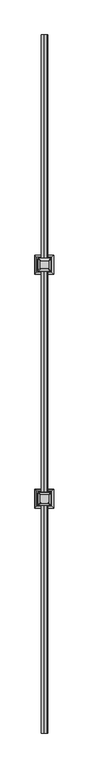
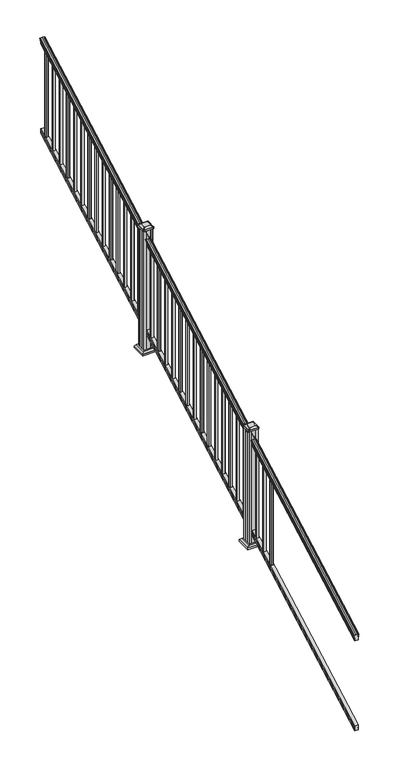
"""IFC4 building model written with IfcOpenShell, lengths in millimetres: railing geometry."""

from ifc_helpers import new_model, si_unit, point, frame, frame_2d, origin, place, context, project, spatial, polyline, circle_curve, ellipse_curve, trimmed, segment, composite_curve, outline, extrude, faceted_brep, source, transform, mapped, element, save
from ifc_brep_helpers import plane_surface, cylinder_surface, revolved_surface, extruded_surface, advanced_brep


def railing_9be0e3d2(model_context):
    return source(origin(), model_context, "Body", "SolidModel", [
        advanced_brep(
        [(6243.4270946, 1778.9805319, 1111.1933), (6243.4270946, 1778.9805319, 1113.3531886), (6244.5572809, 1778.9805319, 1115.140347), (6244.5572809, 1778.9805319, 1123.3974153), (6243.9080245, 1778.9805319, 1126.1811654), (6246.4080245, 1778.9805319, 1131.1346527), (6247.817367, 1778.9805319, 1133.0560334), (6248.219266, 1778.9805319, 1134.3198045), (6248.2192659, 1778.9805319, 1135.8530343), (6246.6658186, 1778.9805319, 1137.6301141), (6225.9942659, 1778.9805319, 1137.6301141), (6205.3227131, 1778.9805319, 1137.6301141), (6203.7692659, 1778.9805319, 1135.8530343), (6203.7692659, 1778.9805319, 1134.3198045), (6204.1711648, 1778.9805319, 1133.0560334), (6205.5805072, 1778.9805319, 1131.1346527), (6208.0805072, 1778.9805319, 1126.1811654), (6207.4312508, 1778.9805319, 1123.3974153), (6207.4312508, 1778.9805319, 1115.140347), (6208.5614371, 1778.9805319, 1113.3531886), (6208.5614371, 1778.9805319, 1111.1933), (6211.1352659, 1778.9805319, 1111.1933), (6211.1352659, 1778.9805319, 1099.182302), (6210.1192659, 1778.9805319, 1098.0200397), (6210.1192659, 1778.9805319, 1083.7333333), (6241.8692659, 1778.9805319, 1083.7333333), (6241.8692659, 1778.9805319, 1097.8395054), (6240.8532659, 1778.9805319, 1099.0017677), (6240.8532659, 1778.9805319, 1111.1933), (6243.4270946, 6655.7805319, 3820.5266334), (6240.8532659, 6655.7805319, 3820.5266334), (6240.8532659, 6655.7805319, 3808.335101), (6241.8692659, 6655.7805319, 3807.1728388), (6241.8692659, 6655.7805319, 3793.0666667), (6210.1192659, 6655.7805319, 3793.0666667), (6210.1192659, 6655.7805319, 3807.3533731), (6211.1352659, 6655.7805319, 3808.5156353), (6211.1352659, 6655.7805319, 3820.5266334), (6208.5614371, 6655.7805319, 3820.5266334), (6208.5614371, 6655.7805319, 3822.6865219), (6207.4312508, 6655.7805319, 3824.4736803), (6207.4312508, 6655.7805319, 3832.7307486), (6208.0805072, 6655.7805319, 3835.5144987), (6205.5805072, 6655.7805319, 3840.4679861), (6204.1711648, 6655.7805319, 3842.3893668), (6203.7692658, 6655.7805319, 3843.6531378), (6203.7692659, 6655.7805319, 3845.1863676), (6205.3227131, 6655.7805319, 3846.9634474), (6225.9942659, 6655.7805319, 3846.9634474), (6246.6658186, 6655.7805319, 3846.9634474), (6248.2192659, 6655.7805319, 3845.1863676), (6248.2192659, 6655.7805319, 3843.6531378), (6247.817367, 6655.7805319, 3842.3893668), (6246.4080245, 6655.7805319, 3840.4679861), (6243.9080245, 6655.7805319, 3835.5144987), (6244.5572809, 6655.7805319, 3832.7307486), (6244.5572809, 6655.7805319, 3824.4736803), (6243.4270946, 6655.7805319, 3822.6865219)],
        [
            (0, 1),
            (1, 2, ellipse_curve(frame((6237.1123413, 1778.9805319, 1119.9403628), z_axis=(0.0, -1.0, 0.0), x_axis=(0.0, 0.0, -1.0)), 9.7762168, 8.545951)),
            (2, 3, ellipse_curve(frame((6237.5494043, 1778.9805319, 1119.2688811), z_axis=(0.0, -1.0, 0.0), x_axis=(0.0, 0.0, -1.0)), 9.0173521, 7.882584)),
            (3, 4, ellipse_curve(frame((6248.0627284, 1778.9805319, 1125.9582895), z_axis=(0.0, 1.0, 0.0), x_axis=(0.0, 0.0, 1.0)), 4.7580334, 4.1592695)),
            (4, 5, ellipse_curve(frame((6249.350035, 1778.9805319, 1125.8892329), z_axis=(0.0, 1.0, 0.0), x_axis=(0.0, 0.0, 1.0)), 6.2322774, 5.4479907)),
            (5, 6, ellipse_curve(frame((6248.1168765, 1778.9805319, 1131.1314345), z_axis=(0.0, 1.0, 0.0), x_axis=(0.0, 0.0, 1.0)), 1.9548591, 1.7088543)),
            (6, 7, ellipse_curve(frame((6246.4999764, 1778.9805319, 1134.3198045), z_axis=(0.0, -1.0, 0.0), x_axis=(0.0, 0.0, -1.0)), 1.9667965, 1.7192895)),
            (7, 8),
            (8, 9, ellipse_curve(frame((6246.6658186, 1778.9805319, 1135.8530343), z_axis=(0.0, -1.0, 0.0), x_axis=(0.0, 0.0, -1.0)), 1.7770798, 1.5534472)),
            (9, 10),
            (10, 11),
            (11, 12, ellipse_curve(frame((6205.3227131, 1778.9805319, 1135.8530343), z_axis=(0.0, -1.0, 0.0), x_axis=(0.0, 0.0, -1.0)), 1.7770798, 1.5534472)),
            (12, 13),
            (13, 14, ellipse_curve(frame((6205.4885553, 1778.9805319, 1134.3198045), z_axis=(0.0, -1.0, 0.0), x_axis=(0.0, 0.0, -1.0)), 1.9667965, 1.7192895)),
            (14, 15, ellipse_curve(frame((6203.8716552, 1778.9805319, 1131.1314345), z_axis=(0.0, 1.0, 0.0), x_axis=(0.0, 0.0, 1.0)), 1.9548591, 1.7088543)),
            (15, 16, ellipse_curve(frame((6202.6384968, 1778.9805319, 1125.8892329), z_axis=(0.0, 1.0, 0.0), x_axis=(0.0, 0.0, 1.0)), 6.2322774, 5.4479907)),
            (16, 17, ellipse_curve(frame((6203.9258033, 1778.9805319, 1125.9582895), z_axis=(0.0, 1.0, 0.0), x_axis=(0.0, 0.0, 1.0)), 4.7580334, 4.1592695)),
            (17, 18, ellipse_curve(frame((6214.4391275, 1778.9805319, 1119.2688811), z_axis=(0.0, -1.0, 0.0), x_axis=(0.0, 0.0, -1.0)), 9.0173521, 7.882584)),
            (18, 19, ellipse_curve(frame((6214.8761904, 1778.9805319, 1119.9403628), z_axis=(0.0, -1.0, 0.0), x_axis=(0.0, 0.0, -1.0)), 9.7762168, 8.545951)),
            (19, 20),
            (20, 21, ellipse_curve(frame((6209.8483515, 1778.9805319, 1111.1933), z_axis=(0.0, -1.0, 0.0), x_axis=(0.0, 0.0, -1.0)), 1.4721772, 1.2869144)),
            (21, 22),
            (22, 23),
            (23, 24),
            (24, 25),
            (25, 26),
            (26, 27),
            (27, 28),
            (28, 0, ellipse_curve(frame((6242.1401802, 1778.9805319, 1111.1933), z_axis=(0.0, -1.0, 0.0), x_axis=(0.0, 0.0, -1.0)), 1.4721772, 1.2869144)),
            (29, 30, ellipse_curve(frame((6242.1401802, 6655.7805319, 3820.5266334), z_axis=(0.0, 1.0, 0.0), x_axis=(0.0, 0.0, -1.0)), 1.4721772, 1.2869144)),
            (30, 31),
            (31, 32),
            (32, 33),
            (33, 34),
            (34, 35),
            (35, 36),
            (36, 37),
            (37, 38, ellipse_curve(frame((6209.8483515, 6655.7805319, 3820.5266334), z_axis=(0.0, 1.0, 0.0), x_axis=(0.0, 0.0, -1.0)), 1.4721772, 1.2869144)),
            (38, 39),
            (39, 40, ellipse_curve(frame((6214.8761904, 6655.7805319, 3829.2736961), z_axis=(0.0, 1.0, 0.0), x_axis=(0.0, 0.0, -1.0)), 9.7762168, 8.545951)),
            (40, 41, ellipse_curve(frame((6214.4391275, 6655.7805319, 3828.6022145), z_axis=(0.0, 1.0, 0.0), x_axis=(0.0, 0.0, -1.0)), 9.0173521, 7.882584)),
            (41, 42, ellipse_curve(frame((6203.9258033, 6655.7805319, 3835.2916228), z_axis=(0.0, -1.0, 0.0), x_axis=(0.0, 0.0, 1.0)), 4.7580334, 4.1592695)),
            (42, 43, ellipse_curve(frame((6202.6384968, 6655.7805319, 3835.2225663), z_axis=(0.0, -1.0, 0.0), x_axis=(0.0, 0.0, 1.0)), 6.2322774, 5.4479907)),
            (43, 44, ellipse_curve(frame((6203.8716552, 6655.7805319, 3840.4647678), z_axis=(0.0, -1.0, 0.0), x_axis=(0.0, 0.0, 1.0)), 1.9548591, 1.7088543)),
            (44, 45, ellipse_curve(frame((6205.4885553, 6655.7805319, 3843.6531378), z_axis=(0.0, 1.0, 0.0), x_axis=(0.0, 0.0, -1.0)), 1.9667965, 1.7192895)),
            (45, 46),
            (46, 47, ellipse_curve(frame((6205.3227131, 6655.7805319, 3845.1863676), z_axis=(0.0, 1.0, 0.0), x_axis=(0.0, 0.0, -1.0)), 1.7770798, 1.5534472)),
            (47, 48),
            (48, 49),
            (49, 50, ellipse_curve(frame((6246.6658186, 6655.7805319, 3845.1863676), z_axis=(0.0, 1.0, 0.0), x_axis=(0.0, 0.0, -1.0)), 1.7770798, 1.5534472)),
            (50, 51),
            (51, 52, ellipse_curve(frame((6246.4999764, 6655.7805319, 3843.6531378), z_axis=(0.0, 1.0, 0.0), x_axis=(0.0, 0.0, -1.0)), 1.9667965, 1.7192895)),
            (52, 53, ellipse_curve(frame((6248.1168765, 6655.7805319, 3840.4647678), z_axis=(0.0, -1.0, 0.0), x_axis=(0.0, 0.0, 1.0)), 1.9548591, 1.7088543)),
            (53, 54, ellipse_curve(frame((6249.350035, 6655.7805319, 3835.2225663), z_axis=(0.0, -1.0, 0.0), x_axis=(0.0, 0.0, 1.0)), 6.2322774, 5.4479907)),
            (54, 55, ellipse_curve(frame((6248.0627284, 6655.7805319, 3835.2916228), z_axis=(0.0, -1.0, 0.0), x_axis=(0.0, 0.0, 1.0)), 4.7580334, 4.1592695)),
            (55, 56, ellipse_curve(frame((6237.5494043, 6655.7805319, 3828.6022145), z_axis=(0.0, 1.0, 0.0), x_axis=(0.0, 0.0, -1.0)), 9.0173521, 7.882584)),
            (56, 57, ellipse_curve(frame((6237.1123413, 6655.7805319, 3829.2736961), z_axis=(0.0, 1.0, 0.0), x_axis=(0.0, 0.0, -1.0)), 9.7762168, 8.545951)),
            (57, 29),
            (0, 29),
            (57, 1),
            (56, 2),
            (55, 3),
            (54, 4),
            (53, 5),
            (52, 6),
            (51, 7),
            (50, 8),
            (49, 9),
            (48, 10),
            (47, 11),
            (46, 12),
            (45, 13),
            (44, 14),
            (43, 15),
            (42, 16),
            (41, 17),
            (40, 18),
            (39, 19),
            (38, 20),
            (37, 21),
            (36, 22),
            (35, 23),
            (34, 24),
            (33, 25),
            (32, 26),
            (31, 27),
            (30, 28),
        ],
        [
            plane_surface(frame((6225.9942659, 1778.9805319, 1083.7333333), z_axis=(0.0, -1.0, 0.0), x_axis=(0.0, 0.0, 1.0))),
            plane_surface(frame((6225.9942659, 6655.7805319, 3793.0666667), z_axis=(0.0, 1.0, 0.0), x_axis=(0.0, 0.0, 1.0))),
            plane_surface(frame((6243.4270946, 1778.9805319, 1111.1933), z_axis=(1.0, 0.0, 0.0), x_axis=(0.0, 0.8741572761215701, 0.48564293117857393))),
            cylinder_surface(frame((6237.1123413, 1763.6096232, 1111.4009691), z_axis=(0.0, -0.8741572761215701, -0.485642931178574), x_axis=(-1.0, 0.0, 0.0)), 8.545951),
            cylinder_surface(frame((6237.5494043, 1763.8946861, 1110.8878557), z_axis=(0.0, -0.8741572761215701, -0.485642931178574), x_axis=(-1.0, 0.0, 0.0)), 7.882584),
            revolved_surface(polyline([(6243.9034589, 6657.8004517445215, 3836.4138004798638), (6243.9034589, 1776.9606120792462, 1124.8361117773575)]), (6248.0627284, 1761.054843, 1115.9995734), (0.0, 0.8741572761215701, 0.485642931178574)),
            revolved_surface(polyline([(6243.9020443, 6658.426310041691, 3836.6924430449576), (6243.9020443, 1776.3347537301895, 1124.4193562056596)]), (6249.350035, 1761.0841594, 1115.9468038), (0.0, 0.8741572761215701, 0.485642931178574)),
            revolved_surface(polyline([(6246.4080222, 6656.610424923767, 3840.925819457222), (6246.4080222, 1778.1506389094347, 1130.6703827830177)]), (6248.1168765, 1758.8586965, 1119.952637), (0.0, 0.8741572761215701, 0.485642931178574)),
            cylinder_surface(frame((6246.4999764, 1757.5051432, 1122.389033), z_axis=(0.0, -0.8741572761215701, -0.485642931178574), x_axis=(-1.0, 0.0, 0.0)), 1.7192895),
            plane_surface(frame((6248.2192659, 1778.9805319, 1134.3198045), z_axis=(1.0, 0.0, 0.0), x_axis=(0.0, 0.8741572761215701, 0.48564293117857393))),
            cylinder_surface(frame((6246.6658186, 1756.8542438, 1123.560652), z_axis=(0.0, -0.8741572761215701, -0.485642931178574), x_axis=(-1.0, 0.0, 0.0)), 1.5534472),
            plane_surface(frame((6246.6658186, 1778.9805319, 1137.6301141), z_axis=(0.0, -0.48564293117857404, 0.8741572761215701), x_axis=(0.0, 0.8741572761215701, 0.48564293117857404))),
            plane_surface(frame((6225.9942659, 1778.9805319, 1137.6301141), z_axis=(0.0, -0.48564293117857404, 0.8741572761215701), x_axis=(0.0, 0.8741572761215701, 0.48564293117857404))),
            cylinder_surface(frame((6205.3227131, 1756.8542438, 1123.560652), z_axis=(0.0, -0.8741572761215701, -0.485642931178574), x_axis=(1.0, 0.0, 0.0)), 1.5534472),
            plane_surface(frame((6203.7692659, 1778.9805319, 1135.8530343), z_axis=(-1.0000000000000002, 0.0, 0.0), x_axis=(0.0, 0.8741572761215701, 0.485642931178574))),
            cylinder_surface(frame((6205.4885553, 1757.5051432, 1122.389033), z_axis=(0.0, -0.8741572761215701, -0.485642931178574), x_axis=(1.0, 0.0, 0.0)), 1.7192895),
            revolved_surface(polyline([(6205.5805095, 6656.610424923767, 3840.925819457222), (6205.5805095, 1778.1506389094347, 1130.6703827830177)]), (6203.8716552, 1758.8586965, 1119.952637), (0.0, 0.8741572761215701, 0.485642931178574)),
            revolved_surface(polyline([(6208.086487500001, 6658.426310041691, 3836.6924430449576), (6208.086487500001, 1776.3347537301895, 1124.4193562056596)]), (6202.6384968, 1761.0841594, 1115.9468038), (0.0, 0.8741572761215701, 0.485642931178574)),
            revolved_surface(polyline([(6208.0850728, 6657.8004517445215, 3836.4138004798638), (6208.0850728, 1776.9606120792462, 1124.8361117773575)]), (6203.9258033, 1761.054843, 1115.9995734), (0.0, 0.8741572761215701, 0.485642931178574)),
            cylinder_surface(frame((6214.4391275, 1763.8946861, 1110.8878557), z_axis=(0.0, -0.8741572761215701, -0.485642931178574), x_axis=(1.0, 0.0, 0.0)), 7.882584),
            cylinder_surface(frame((6214.8761904, 1763.6096232, 1111.4009691), z_axis=(0.0, -0.8741572761215701, -0.485642931178574), x_axis=(1.0, 0.0, 0.0)), 8.545951),
            plane_surface(frame((6208.5614371, 1778.9805319, 1113.3531886), z_axis=(-1.0000000000000002, 0.0, 0.0), x_axis=(0.0, 0.8741572761215701, 0.48564293117857404))),
            cylinder_surface(frame((6209.8483515, 1767.3229989, 1104.7168928), z_axis=(0.0, -0.8741572761215701, -0.485642931178574), x_axis=(1.0, 0.0, 0.0)), 1.2869144),
            plane_surface(frame((6211.1352659, 1778.9805319, 1111.1933), z_axis=(-1.0, 0.0, 0.0), x_axis=(0.0, 0.8741572761215701, 0.48564293117857393))),
            plane_surface(frame((6211.1352659, 1778.9805319, 1099.182302), z_axis=(-0.707106781186544, -0.34340140987168244, 0.6181225377691273), x_axis=(0.0, 0.8741572761215701, 0.48564293117857393))),
            plane_surface(frame((6210.1192659, 1778.9805319, 1098.0200397), z_axis=(-1.0, 0.0, 0.0), x_axis=(0.0, 0.8741572761215701, 0.48564293117857393))),
            plane_surface(frame((6210.1192659, 1778.9805319, 1083.7333333), z_axis=(0.0, 0.48564293117857393, -0.8741572761215701), x_axis=(0.0, 0.8741572761215701, 0.48564293117857393))),
            plane_surface(frame((6241.8692659, 1778.9805319, 1083.7333333), z_axis=(1.0000000000000002, 0.0, 0.0), x_axis=(0.0, 0.8741572761215701, 0.485642931178574))),
            plane_surface(frame((6241.8692659, 1778.9805319, 1097.8395054), z_axis=(0.707106781186539, -0.34340140987168644, 0.6181225377691305), x_axis=(0.0, 0.8741572761215701, 0.48564293117857393))),
            plane_surface(frame((6240.8532659, 1778.9805319, 1099.0017677), z_axis=(1.0000000000000002, 0.0, 0.0), x_axis=(0.0, 0.8741572761215701, 0.485642931178574))),
            cylinder_surface(frame((6242.1401802, 1767.3229989, 1104.7168928), z_axis=(0.0, -0.8741572761215701, -0.485642931178574), x_axis=(-1.0, 0.0, 0.0)), 1.2869144),
        ],
        [
            (0, [[1, 2, 3, 4, 5, 6, 7, 8, 9, 10, 11, 12, 13, 14, 15, 16, 17, 18, 19, 20, 21, 22, 23, 24, 25, 26, 27, 28, 29]]),
            (1, [[30, 31, 32, 33, 34, 35, 36, 37, 38, 39, 40, 41, 42, 43, 44, 45, 46, 47, 48, 49, 50, 51, 52, 53, 54, 55, 56, 57, 58]]),
            (2, [[-1, 59, -58, 60]]),
            (3, [[-2, -60, -57, 61]]),
            (4, [[-3, -61, -56, 62]]),
            (5, [[-4, -62, -55, 63]]),
            (6, [[-5, -63, -54, 64]]),
            (7, [[-6, -64, -53, 65]]),
            (8, [[-7, -65, -52, 66]]),
            (9, [[-8, -66, -51, 67]]),
            (10, [[-9, -67, -50, 68]]),
            (11, [[-10, -68, -49, 69]]),
            (12, [[-11, -69, -48, 70]]),
            (13, [[-12, -70, -47, 71]]),
            (14, [[-13, -71, -46, 72]]),
            (15, [[-14, -72, -45, 73]]),
            (16, [[-15, -73, -44, 74]]),
            (17, [[-16, -74, -43, 75]]),
            (18, [[-17, -75, -42, 76]]),
            (19, [[-18, -76, -41, 77]]),
            (20, [[-19, -77, -40, 78]]),
            (21, [[-20, -78, -39, 79]]),
            (22, [[-21, -79, -38, 80]]),
            (23, [[-22, -80, -37, 81]]),
            (24, [[-23, -81, -36, 82]]),
            (25, [[-24, -82, -35, 83]]),
            (26, [[-25, -83, -34, 84]]),
            (27, [[-26, -84, -33, 85]]),
            (28, [[-27, -85, -32, 86]]),
            (29, [[-28, -86, -31, 87]]),
            (30, [[-29, -87, -30, -59]]),
        ],
    ),
        faceted_brep([(6241.9067528, 1778.9805319, 247.1948195), (6240.8907528, 1778.9805319, 248.6824473), (6240.8907528, 1778.9805319, 260.5333506), (6241.9067528, 1778.9805319, 262.0757247), (6241.9067528, 1778.9805319, 276.4134523), (6210.1567528, 1778.9805319, 276.4134523), (6210.1567528, 1778.9805319, 262.0566814), (6211.1727528, 1778.9805319, 260.5143074), (6211.1727528, 1778.9805319, 248.7181503), (6210.1567528, 1778.9805319, 247.1757762), (6210.1567528, 1778.9805319, 232.8333333), (6241.9067528, 1778.9805319, 232.8333333), (6241.9067528, 6655.7805319, 2956.5281528), (6241.9067528, 6655.7805319, 2942.1666667), (6210.1567528, 6655.7805319, 2942.1666667), (6210.1567528, 6655.7805319, 2956.5091096), (6211.1727528, 6655.7805319, 2958.0514837), (6211.1727528, 6655.7805319, 2969.8476407), (6210.1567528, 6655.7805319, 2971.3900148), (6210.1567528, 6655.7805319, 2985.7467856), (6241.9067528, 6655.7805319, 2985.7467856), (6241.9067528, 6655.7805319, 2971.409058), (6240.8907528, 6655.7805319, 2969.8666839), (6240.8907528, 6655.7805319, 2958.0157807)], [[[0, 1, 2, 3, 4, 5, 6, 7, 8, 9, 10, 11]], [[12, 13, 14, 15, 16, 17, 18, 19, 20, 21, 22, 23]], [[1, 0, 12, 23]], [[2, 1, 23, 22]], [[3, 2, 22, 21]], [[4, 3, 21, 20]], [[5, 4, 20, 19]], [[6, 5, 19, 18]], [[7, 6, 18, 17]], [[8, 7, 17, 16]], [[9, 8, 16, 15]], [[10, 9, 15, 14]], [[11, 10, 14, 13]], [[0, 11, 13, 12]]]),
        extrude(outline(polyline([(6235.5192659, 6580.5727194), (6216.4692659, 6580.5727194), (6216.4692659, 6599.6227194), (6235.5192659, 6599.6227194), (6235.5192659, 6580.5727194)]), holes=[polyline([(6235.1223909, 6580.9695944), (6235.1223909, 6599.2258444), (6216.8661409, 6599.2258444), (6216.8661409, 6580.9695944), (6235.1223909, 6580.9695944)])]), frame((0.0, 0.0, 2943.7720933), z_axis=(0.0, 0.0, 1.0), x_axis=(1.0, 0.0, 0.0)), (0.0, 0.0, 1.0), 812.8041219),
        extrude(outline(polyline([(6235.5192659, 6469.4477194), (6216.4692659, 6469.4477194), (6216.4692659, 6488.4977194), (6235.5192659, 6488.4977194), (6235.5192659, 6469.4477194)]), holes=[polyline([(6235.1223909, 6469.8445944), (6235.1223909, 6488.1008444), (6216.8661409, 6488.1008444), (6216.8661409, 6469.8445944), (6235.1223909, 6469.8445944)])]), frame((0.0, 0.0, 2882.0359822), z_axis=(0.0, 0.0, 1.0), x_axis=(1.0, 0.0, 0.0)), (0.0, 0.0, 1.0), 812.8041219),
        extrude(outline(polyline([(6235.5192659, 6358.3227194), (6216.4692659, 6358.3227194), (6216.4692659, 6377.3727194), (6235.5192659, 6377.3727194), (6235.5192659, 6358.3227194)]), holes=[polyline([(6235.1223909, 6358.7195944), (6235.1223909, 6376.9758444), (6216.8661409, 6376.9758444), (6216.8661409, 6358.7195944), (6235.1223909, 6358.7195944)])]), frame((0.0, 0.0, 2820.2998711), z_axis=(0.0, 0.0, 1.0), x_axis=(1.0, 0.0, 0.0)), (0.0, 0.0, 1.0), 812.8041219),
        extrude(outline(polyline([(6235.5192659, 6247.1977194), (6216.4692659, 6247.1977194), (6216.4692659, 6266.2477194), (6235.5192659, 6266.2477194), (6235.5192659, 6247.1977194)]), holes=[polyline([(6235.1223909, 6247.5945944), (6235.1223909, 6265.8508444), (6216.8661409, 6265.8508444), (6216.8661409, 6247.5945944), (6235.1223909, 6247.5945944)])]), frame((0.0, 0.0, 2758.56376), z_axis=(0.0, 0.0, 1.0), x_axis=(1.0, 0.0, 0.0)), (0.0, 0.0, 1.0), 812.8041219),
        extrude(outline(polyline([(6235.5192659, 6136.0727194), (6216.4692659, 6136.0727194), (6216.4692659, 6155.1227194), (6235.5192659, 6155.1227194), (6235.5192659, 6136.0727194)]), holes=[polyline([(6235.1223909, 6136.4695944), (6235.1223909, 6154.7258444), (6216.8661409, 6154.7258444), (6216.8661409, 6136.4695944), (6235.1223909, 6136.4695944)])]), frame((0.0, 0.0, 2696.8276489), z_axis=(0.0, 0.0, 1.0), x_axis=(1.0, 0.0, 0.0)), (0.0, 0.0, 1.0), 812.8041219),
        extrude(outline(polyline([(6235.5192659, 6024.9477194), (6216.4692659, 6024.9477194), (6216.4692659, 6043.9977194), (6235.5192659, 6043.9977194), (6235.5192659, 6024.9477194)]), holes=[polyline([(6235.1223909, 6025.3445944), (6235.1223909, 6043.6008444), (6216.8661409, 6043.6008444), (6216.8661409, 6025.3445944), (6235.1223909, 6025.3445944)])]), frame((0.0, 0.0, 2635.0915378), z_axis=(0.0, 0.0, 1.0), x_axis=(1.0, 0.0, 0.0)), (0.0, 0.0, 1.0), 812.8041219),
        extrude(outline(polyline([(6235.5192659, 5913.8227194), (6216.4692659, 5913.8227194), (6216.4692659, 5932.8727194), (6235.5192659, 5932.8727194), (6235.5192659, 5913.8227194)]), holes=[polyline([(6235.1223909, 5914.2195944), (6235.1223909, 5932.4758444), (6216.8661409, 5932.4758444), (6216.8661409, 5914.2195944), (6235.1223909, 5914.2195944)])]), frame((0.0, 0.0, 2573.3554267), z_axis=(0.0, 0.0, 1.0), x_axis=(1.0, 0.0, 0.0)), (0.0, 0.0, 1.0), 812.8041219),
        extrude(outline(polyline([(6235.5192659, 5802.6977194), (6216.4692659, 5802.6977194), (6216.4692659, 5821.7477194), (6235.5192659, 5821.7477194), (6235.5192659, 5802.6977194)]), holes=[polyline([(6235.1223909, 5803.0945944), (6235.1223909, 5821.3508444), (6216.8661409, 5821.3508444), (6216.8661409, 5803.0945944), (6235.1223909, 5803.0945944)])]), frame((0.0, 0.0, 2511.6193156), z_axis=(0.0, 0.0, 1.0), x_axis=(1.0, 0.0, 0.0)), (0.0, 0.0, 1.0), 812.8041219),
        extrude(outline(polyline([(6235.5192659, 5691.5727194), (6216.4692659, 5691.5727194), (6216.4692659, 5710.6227194), (6235.5192659, 5710.6227194), (6235.5192659, 5691.5727194)]), holes=[polyline([(6235.1223909, 5691.9695944), (6235.1223909, 5710.2258444), (6216.8661409, 5710.2258444), (6216.8661409, 5691.9695944), (6235.1223909, 5691.9695944)])]), frame((0.0, 0.0, 2449.8832045), z_axis=(0.0, 0.0, 1.0), x_axis=(1.0, 0.0, 0.0)), (0.0, 0.0, 1.0), 812.8041219),
        extrude(outline(polyline([(6235.5192659, 5580.4477194), (6216.4692659, 5580.4477194), (6216.4692659, 5599.4977194), (6235.5192659, 5599.4977194), (6235.5192659, 5580.4477194)]), holes=[polyline([(6235.1223909, 5580.8445944), (6235.1223909, 5599.1008444), (6216.8661409, 5599.1008444), (6216.8661409, 5580.8445944), (6235.1223909, 5580.8445944)])]), frame((0.0, 0.0, 2388.1470933), z_axis=(0.0, 0.0, 1.0), x_axis=(1.0, 0.0, 0.0)), (0.0, 0.0, 1.0), 812.8041219),
        extrude(outline(polyline([(6235.5192659, 5469.3227194), (6216.4692659, 5469.3227194), (6216.4692659, 5488.3727194), (6235.5192659, 5488.3727194), (6235.5192659, 5469.3227194)]), holes=[polyline([(6235.1223909, 5469.7195944), (6235.1223909, 5487.9758444), (6216.8661409, 5487.9758444), (6216.8661409, 5469.7195944), (6235.1223909, 5469.7195944)])]), frame((0.0, 0.0, 2326.4109822), z_axis=(0.0, 0.0, 1.0), x_axis=(1.0, 0.0, 0.0)), (0.0, 0.0, 1.0), 812.8041219),
        extrude(outline(polyline([(6235.5192659, 5358.1977194), (6216.4692659, 5358.1977194), (6216.4692659, 5377.2477194), (6235.5192659, 5377.2477194), (6235.5192659, 5358.1977194)]), holes=[polyline([(6235.1223909, 5358.5945944), (6235.1223909, 5376.8508444), (6216.8661409, 5376.8508444), (6216.8661409, 5358.5945944), (6235.1223909, 5358.5945944)])]), frame((0.0, 0.0, 2264.6748711), z_axis=(0.0, 0.0, 1.0), x_axis=(1.0, 0.0, 0.0)), (0.0, 0.0, 1.0), 812.8041219),
        extrude(outline(polyline([(6235.5192659, 5247.0727194), (6216.4692659, 5247.0727194), (6216.4692659, 5266.1227194), (6235.5192659, 5266.1227194), (6235.5192659, 5247.0727194)]), holes=[polyline([(6235.1223909, 5247.4695944), (6235.1223909, 5265.7258444), (6216.8661409, 5265.7258444), (6216.8661409, 5247.4695944), (6235.1223909, 5247.4695944)])]), frame((0.0, 0.0, 2202.93876), z_axis=(0.0, 0.0, 1.0), x_axis=(1.0, 0.0, 0.0)), (0.0, 0.0, 1.0), 812.8041219),
        extrude(outline(polyline([(6235.5192659, 5135.9477194), (6216.4692659, 5135.9477194), (6216.4692659, 5154.9977194), (6235.5192659, 5154.9977194), (6235.5192659, 5135.9477194)]), holes=[polyline([(6235.1223909, 5136.3445944), (6235.1223909, 5154.6008444), (6216.8661409, 5154.6008444), (6216.8661409, 5136.3445944), (6235.1223909, 5136.3445944)])]), frame((0.0, 0.0, 2141.2026489), z_axis=(0.0, 0.0, 1.0), x_axis=(1.0, 0.0, 0.0)), (0.0, 0.0, 1.0), 812.8041219),
        faceted_brep([(6278.5802034, 4997.4383444, 1891.2416667), (6278.5802034, 5102.6102194, 1891.2416667), (6173.4083284, 5102.6102194, 1891.2416667), (6173.4083284, 4997.4383444, 1891.2416667), (6292.6196565, 4983.3988913, 1877.9066667), (6159.3688753, 4983.3988913, 1877.9066667), (6159.3688753, 5116.6496725, 1877.9066667), (6292.6196565, 5116.6496725, 1877.9066667)], [[[0, 1, 2, 3]], [[4, 5, 6, 7]], [[4, 0, 3, 5]], [[5, 3, 2, 6]], [[6, 2, 1, 7]], [[7, 1, 0, 4]]]),
        extrude(outline(polyline([(6292.6196565, 4983.3988913), (6159.3688753, 4983.3988913), (6159.3688753, 5116.6496725), (6292.6196565, 5116.6496725), (6292.6196565, 4983.3988913)])), frame((0.0, 0.0, 1862.6666667), z_axis=(0.0, 0.0, 1.0), x_axis=(1.0, 0.0, 0.0)), (0.0, 0.0, 1.0), 15.24),
        advanced_brep(
        [(6200.1973909, 5021.0524069, 3046.5191241), (6251.7911409, 5021.0524069, 3046.5191241), (6254.9661409, 5024.2274069, 3046.5191241), (6254.9661409, 5075.8211569, 3046.5191241), (6251.7911409, 5078.9961569, 3046.5191241), (6200.1973909, 5078.9961569, 3046.5191241), (6197.0223909, 5075.8211569, 3046.5191241), (6197.0223909, 5024.2274069, 3046.5191241), (6183.9255159, 5004.7805319, 3035.2161241), (6180.7505159, 5007.9555319, 3035.2161241), (6180.7505159, 5092.0930319, 3035.2161241), (6183.9255159, 5095.2680319, 3035.2161241), (6268.0630159, 5095.2680319, 3035.2161241), (6271.2380159, 5092.0930319, 3035.2161241), (6271.2380159, 5007.9555319, 3035.2161241), (6268.0630159, 5004.7805319, 3035.2161241)],
        [
            (0, 1),
            (1, 2, circle_curve(frame((6251.7911409, 5024.2274069, 3046.5191241), z_axis=(0.0, 0.0, 1.0), x_axis=(0.0, 1.0, 0.0)), 3.175)),
            (2, 3),
            (3, 4, circle_curve(frame((6251.7911409, 5075.8211569, 3046.5191241), z_axis=(0.0, 0.0, 1.0), x_axis=(0.0, 1.0, 0.0)), 3.175)),
            (4, 5),
            (5, 6, circle_curve(frame((6200.1973909, 5075.8211569, 3046.5191241), z_axis=(0.0, 0.0, 1.0), x_axis=(0.0, 1.0, 0.0)), 3.175)),
            (6, 7),
            (7, 0, circle_curve(frame((6200.1973909, 5024.2274069, 3046.5191241), z_axis=(0.0, 0.0, 1.0), x_axis=(0.0, 1.0, 0.0)), 3.175)),
            (8, 9, circle_curve(frame((6183.9255159, 5007.9555319, 3035.2161241), z_axis=(0.0, 0.0, -1.0), x_axis=(0.0, 1.0, 0.0)), 3.175)),
            (9, 10),
            (10, 11, circle_curve(frame((6183.9255159, 5092.0930319, 3035.2161241), z_axis=(0.0, 0.0, -1.0), x_axis=(0.0, 1.0, 0.0)), 3.175)),
            (11, 12),
            (12, 13, circle_curve(frame((6268.0630159, 5092.0930319, 3035.2161241), z_axis=(0.0, 0.0, -1.0), x_axis=(0.0, 1.0, 0.0)), 3.175)),
            (13, 14),
            (14, 15, circle_curve(frame((6268.0630159, 5007.9555319, 3035.2161241), z_axis=(0.0, 0.0, -1.0), x_axis=(0.0, 1.0, 0.0)), 3.175)),
            (15, 8),
            (8, 0),
            (7, 9),
            (6, 10),
            (5, 11),
            (4, 12),
            (3, 13),
            (2, 14),
            (1, 15),
        ],
        [
            plane_surface(frame((6225.9942659, 5050.0242819, 3046.5191241), z_axis=(0.0, 0.0, 1.0), x_axis=(-1.0, 0.0, 0.0))),
            plane_surface(frame((6225.9942659, 5050.0242819, 3035.2161241), z_axis=(0.0, 0.0, -1.0), x_axis=(-1.0, 0.0, 0.0))),
            extruded_surface(trimmed(circle_curve(frame((6200.1973909, 5024.2274069, 3046.5191241), z_axis=(0.0, 0.0, -1.0), x_axis=(0.0, 1.0, 0.0)), 3.175), [point((6200.1973909, 5021.0524069, 3046.5191241))], [point((6197.0223909, 5024.2274069, 3046.5191241))], True, "CARTESIAN"), (-16.271874999999454, -16.271874999999454, -11.303000000000338), 25.63797263886562),
            plane_surface(frame((6180.7505159, 5050.0242819, 3035.2161241), z_axis=(-0.5705009161540777, 0.0, 0.8212969649690409), x_axis=(0.0, 1.0, 0.0))),
            extruded_surface(trimmed(circle_curve(frame((6200.1973909, 5075.8211569, 3046.5191241), z_axis=(0.0, 0.0, -1.0), x_axis=(0.0, 1.0, 0.0)), 3.175), [point((6197.0223909, 5075.8211569, 3046.5191241))], [point((6200.1973909, 5078.9961569, 3046.5191241))], True, "CARTESIAN"), (-16.271874999999454, 16.271875000000364, -11.303000000000338), 25.6379726388662),
            plane_surface(frame((6225.9942659, 5095.2680319, 3035.2161241), z_axis=(0.0, 0.5705009161540291, 0.8212969649690747), x_axis=(1.0, 0.0, 0.0))),
            extruded_surface(trimmed(circle_curve(frame((6251.7911409, 5075.8211569, 3046.5191241), z_axis=(0.0, 0.0, -1.0), x_axis=(0.0, 1.0, 0.0)), 3.175), [point((6251.7911409, 5078.9961569, 3046.5191241))], [point((6254.9661409, 5075.8211569, 3046.5191241))], True, "CARTESIAN"), (16.271875000000364, 16.271875000000364, -11.303000000000338), 25.637972638866774),
            plane_surface(frame((6271.2380159, 5050.0242819, 3035.2161241), z_axis=(0.5705009161540143, 0.0, 0.821296964969085), x_axis=(0.0, -1.0, 0.0))),
            extruded_surface(trimmed(circle_curve(frame((6251.7911409, 5024.2274069, 3046.5191241), z_axis=(0.0, 0.0, -1.0), x_axis=(0.0, 1.0, 0.0)), 3.175), [point((6254.9661409, 5024.2274069, 3046.5191241))], [point((6251.7911409, 5021.0524069, 3046.5191241))], True, "CARTESIAN"), (16.271875000000364, -16.271874999999454, -11.303000000000338), 25.6379726388662),
            plane_surface(frame((6225.9942659, 5004.7805319, 3035.2161241), z_axis=(0.0, -0.570500916154034, 0.8212969649690713), x_axis=(-1.0, 0.0, 0.0))),
        ],
        [
            (0, [[1, 2, 3, 4, 5, 6, 7, 8]]),
            (1, [[9, 10, 11, 12, 13, 14, 15, 16]]),
            (2, [[17, -8, 18, -9]]),
            (3, [[-18, -7, 19, -10]]),
            (4, [[-19, -6, 20, -11]]),
            (5, [[-20, -5, 21, -12]]),
            (6, [[-21, -4, 22, -13]]),
            (7, [[-22, -3, 23, -14]]),
            (8, [[-23, -2, 24, -15]]),
            (9, [[-24, -1, -17, -16]]),
        ],
    ),
        extrude(outline(composite_curve([segment(trimmed(circle_curve(frame_2d((6183.9255159, 5007.9555319)), 3.175), [point((6183.9255159, 5004.7805319))], [point((6180.7505159, 5007.9555319))], False, "CARTESIAN"), True, "CONTINUOUS"), segment(polyline([(6180.7505159, 5007.9555319), (6180.7505159, 5092.0930319)]), True, "CONTINUOUS"), segment(trimmed(circle_curve(frame_2d((6183.9255159, 5092.0930319)), 3.175), [point((6180.7505159, 5092.0930319))], [point((6183.9255159, 5095.2680319))], False, "CARTESIAN"), True, "CONTINUOUS"), segment(polyline([(6183.9255159, 5095.2680319), (6268.0630159, 5095.2680319)]), True, "CONTINUOUS"), segment(trimmed(circle_curve(frame_2d((6268.0630159, 5092.0930319)), 3.175), [point((6268.0630159, 5095.2680319))], [point((6271.2380159, 5092.0930319))], False, "CARTESIAN"), True, "CONTINUOUS"), segment(polyline([(6271.2380159, 5092.0930319), (6271.2380159, 5007.9555319)]), True, "CONTINUOUS"), segment(trimmed(circle_curve(frame_2d((6268.0630159, 5007.9555319)), 3.175), [point((6271.2380159, 5007.9555319))], [point((6268.0630159, 5004.7805319))], False, "CARTESIAN"), True, "CONTINUOUS"), segment(polyline([(6268.0630159, 5004.7805319), (6183.9255159, 5004.7805319)]), True, "CONTINUOUS")], self_intersect=False)), frame((0.0, 0.0, 3017.9441241), z_axis=(0.0, 0.0, 1.0), x_axis=(1.0, 0.0, 0.0)), (0.0, 0.0, 1.0), 17.272),
        extrude(outline(polyline([(6186.3067659, 5008.7492819), (6184.7192659, 5010.3367819), (6184.7192659, 5029.9582819), (6186.3067659, 5030.7202819), (6186.3067659, 5069.3282819), (6184.7192659, 5070.0902819), (6184.7192659, 5089.7117819), (6186.3067659, 5091.2992819), (6205.9282659, 5091.2992819), (6206.6902659, 5089.7117819), (6245.2982659, 5089.7117819), (6246.0602659, 5091.2992819), (6265.6817659, 5091.2992819), (6267.2692659, 5089.7117819), (6267.2692659, 5070.0902819), (6265.6817659, 5069.3282819), (6265.6817659, 5030.7202819), (6267.2692659, 5029.9582819), (6267.2692659, 5010.3367819), (6265.6817659, 5008.7492819), (6246.0602659, 5008.7492819), (6245.2982659, 5010.3367819), (6206.6902659, 5010.3367819), (6205.9282659, 5008.7492819), (6186.3067659, 5008.7492819)])), frame((0.0, 0.0, 1862.6666667), z_axis=(0.0, 0.0, 1.0), x_axis=(1.0, 0.0, 0.0)), (0.0, 0.0, 1.0), 1155.2774575),
        extrude(outline(polyline([(6235.5192659, 4945.0508444), (6216.4692659, 4945.0508444), (6216.4692659, 4964.1008444), (6235.5192659, 4964.1008444), (6235.5192659, 4945.0508444)]), holes=[polyline([(6235.1223909, 4945.4477194), (6235.1223909, 4963.7039694), (6216.8661409, 4963.7039694), (6216.8661409, 4945.4477194), (6235.1223909, 4945.4477194)])]), frame((0.0, 0.0, 2035.1488295), z_axis=(0.0, 0.0, 1.0), x_axis=(1.0, 0.0, 0.0)), (0.0, 0.0, 1.0), 812.8041219),
        extrude(outline(polyline([(6235.5192659, 4833.9258444), (6216.4692659, 4833.9258444), (6216.4692659, 4852.9758444), (6235.5192659, 4852.9758444), (6235.5192659, 4833.9258444)]), holes=[polyline([(6235.1223909, 4834.3227194), (6235.1223909, 4852.5789694), (6216.8661409, 4852.5789694), (6216.8661409, 4834.3227194), (6235.1223909, 4834.3227194)])]), frame((0.0, 0.0, 1973.4127183), z_axis=(0.0, 0.0, 1.0), x_axis=(1.0, 0.0, 0.0)), (0.0, 0.0, 1.0), 812.8041219),
        extrude(outline(polyline([(6235.5192659, 4722.8008444), (6216.4692659, 4722.8008444), (6216.4692659, 4741.8508444), (6235.5192659, 4741.8508444), (6235.5192659, 4722.8008444)]), holes=[polyline([(6235.1223909, 4723.1977194), (6235.1223909, 4741.4539694), (6216.8661409, 4741.4539694), (6216.8661409, 4723.1977194), (6235.1223909, 4723.1977194)])]), frame((0.0, 0.0, 1911.6766072), z_axis=(0.0, 0.0, 1.0), x_axis=(1.0, 0.0, 0.0)), (0.0, 0.0, 1.0), 812.8041219),
        extrude(outline(polyline([(6235.5192659, 4611.6758444), (6216.4692659, 4611.6758444), (6216.4692659, 4630.7258444), (6235.5192659, 4630.7258444), (6235.5192659, 4611.6758444)]), holes=[polyline([(6235.1223909, 4612.0727194), (6235.1223909, 4630.3289694), (6216.8661409, 4630.3289694), (6216.8661409, 4612.0727194), (6235.1223909, 4612.0727194)])]), frame((0.0, 0.0, 1849.9404961), z_axis=(0.0, 0.0, 1.0), x_axis=(1.0, 0.0, 0.0)), (0.0, 0.0, 1.0), 812.8041219),
        extrude(outline(polyline([(6235.5192659, 4500.5508444), (6216.4692659, 4500.5508444), (6216.4692659, 4519.6008444), (6235.5192659, 4519.6008444), (6235.5192659, 4500.5508444)]), holes=[polyline([(6235.1223909, 4500.9477194), (6235.1223909, 4519.2039694), (6216.8661409, 4519.2039694), (6216.8661409, 4500.9477194), (6235.1223909, 4500.9477194)])]), frame((0.0, 0.0, 1788.204385), z_axis=(0.0, 0.0, 1.0), x_axis=(1.0, 0.0, 0.0)), (0.0, 0.0, 1.0), 812.8041219),
        extrude(outline(polyline([(6235.5192659, 4389.4258444), (6216.4692659, 4389.4258444), (6216.4692659, 4408.4758444), (6235.5192659, 4408.4758444), (6235.5192659, 4389.4258444)]), holes=[polyline([(6235.1223909, 4389.8227194), (6235.1223909, 4408.0789694), (6216.8661409, 4408.0789694), (6216.8661409, 4389.8227194), (6235.1223909, 4389.8227194)])]), frame((0.0, 0.0, 1726.4682739), z_axis=(0.0, 0.0, 1.0), x_axis=(1.0, 0.0, 0.0)), (0.0, 0.0, 1.0), 812.8041219),
        extrude(outline(polyline([(6235.5192659, 4278.3008444), (6216.4692659, 4278.3008444), (6216.4692659, 4297.3508444), (6235.5192659, 4297.3508444), (6235.5192659, 4278.3008444)]), holes=[polyline([(6235.1223909, 4278.6977194), (6235.1223909, 4296.9539694), (6216.8661409, 4296.9539694), (6216.8661409, 4278.6977194), (6235.1223909, 4278.6977194)])]), frame((0.0, 0.0, 1664.7321628), z_axis=(0.0, 0.0, 1.0), x_axis=(1.0, 0.0, 0.0)), (0.0, 0.0, 1.0), 812.8041219),
        extrude(outline(polyline([(6235.5192659, 4167.1758444), (6216.4692659, 4167.1758444), (6216.4692659, 4186.2258444), (6235.5192659, 4186.2258444), (6235.5192659, 4167.1758444)]), holes=[polyline([(6235.1223909, 4167.5727194), (6235.1223909, 4185.8289694), (6216.8661409, 4185.8289694), (6216.8661409, 4167.5727194), (6235.1223909, 4167.5727194)])]), frame((0.0, 0.0, 1602.9960517), z_axis=(0.0, 0.0, 1.0), x_axis=(1.0, 0.0, 0.0)), (0.0, 0.0, 1.0), 812.8041219),
        extrude(outline(polyline([(6235.5192659, 4056.0508444), (6216.4692659, 4056.0508444), (6216.4692659, 4075.1008444), (6235.5192659, 4075.1008444), (6235.5192659, 4056.0508444)]), holes=[polyline([(6235.1223909, 4056.4477194), (6235.1223909, 4074.7039694), (6216.8661409, 4074.7039694), (6216.8661409, 4056.4477194), (6235.1223909, 4056.4477194)])]), frame((0.0, 0.0, 1541.2599406), z_axis=(0.0, 0.0, 1.0), x_axis=(1.0, 0.0, 0.0)), (0.0, 0.0, 1.0), 812.8041219),
        extrude(outline(polyline([(6235.5192659, 3944.9258444), (6216.4692659, 3944.9258444), (6216.4692659, 3963.9758444), (6235.5192659, 3963.9758444), (6235.5192659, 3944.9258444)]), holes=[polyline([(6235.1223909, 3945.3227194), (6235.1223909, 3963.5789694), (6216.8661409, 3963.5789694), (6216.8661409, 3945.3227194), (6235.1223909, 3945.3227194)])]), frame((0.0, 0.0, 1479.5238295), z_axis=(0.0, 0.0, 1.0), x_axis=(1.0, 0.0, 0.0)), (0.0, 0.0, 1.0), 812.8041219),
        extrude(outline(polyline([(6235.5192659, 3833.8008444), (6216.4692659, 3833.8008444), (6216.4692659, 3852.8508444), (6235.5192659, 3852.8508444), (6235.5192659, 3833.8008444)]), holes=[polyline([(6235.1223909, 3834.1977194), (6235.1223909, 3852.4539694), (6216.8661409, 3852.4539694), (6216.8661409, 3834.1977194), (6235.1223909, 3834.1977194)])]), frame((0.0, 0.0, 1417.7877183), z_axis=(0.0, 0.0, 1.0), x_axis=(1.0, 0.0, 0.0)), (0.0, 0.0, 1.0), 812.8041219),
        extrude(outline(polyline([(6235.5192659, 3722.6758444), (6216.4692659, 3722.6758444), (6216.4692659, 3741.7258444), (6235.5192659, 3741.7258444), (6235.5192659, 3722.6758444)]), holes=[polyline([(6235.1223909, 3723.0727194), (6235.1223909, 3741.3289694), (6216.8661409, 3741.3289694), (6216.8661409, 3723.0727194), (6235.1223909, 3723.0727194)])]), frame((0.0, 0.0, 1356.0516072), z_axis=(0.0, 0.0, 1.0), x_axis=(1.0, 0.0, 0.0)), (0.0, 0.0, 1.0), 812.8041219),
        extrude(outline(polyline([(6235.5192659, 3611.5508444), (6216.4692659, 3611.5508444), (6216.4692659, 3630.6008444), (6235.5192659, 3630.6008444), (6235.5192659, 3611.5508444)]), holes=[polyline([(6235.1223909, 3611.9477194), (6235.1223909, 3630.2039694), (6216.8661409, 3630.2039694), (6216.8661409, 3611.9477194), (6235.1223909, 3611.9477194)])]), frame((0.0, 0.0, 1294.3154961), z_axis=(0.0, 0.0, 1.0), x_axis=(1.0, 0.0, 0.0)), (0.0, 0.0, 1.0), 812.8041219),
        extrude(outline(polyline([(6235.5192659, 3500.4258444), (6216.4692659, 3500.4258444), (6216.4692659, 3519.4758444), (6235.5192659, 3519.4758444), (6235.5192659, 3500.4258444)]), holes=[polyline([(6235.1223909, 3500.8227194), (6235.1223909, 3519.0789694), (6216.8661409, 3519.0789694), (6216.8661409, 3500.8227194), (6235.1223909, 3500.8227194)])]), frame((0.0, 0.0, 1232.579385), z_axis=(0.0, 0.0, 1.0), x_axis=(1.0, 0.0, 0.0)), (0.0, 0.0, 1.0), 812.8041219),
        faceted_brep([(6278.5802034, 3361.9164694, 1044.575), (6278.5802034, 3467.0883444, 1044.575), (6173.4083284, 3467.0883444, 1044.575), (6173.4083284, 3361.9164694, 1044.575), (6292.6196565, 3347.8770163, 1031.24), (6159.3688753, 3347.8770163, 1031.24), (6159.3688753, 3481.1277975, 1031.24), (6292.6196565, 3481.1277975, 1031.24)], [[[0, 1, 2, 3]], [[4, 5, 6, 7]], [[4, 0, 3, 5]], [[5, 3, 2, 6]], [[6, 2, 1, 7]], [[7, 1, 0, 4]]]),
        extrude(outline(polyline([(6292.6196565, 3347.8770163), (6159.3688753, 3347.8770163), (6159.3688753, 3481.1277975), (6292.6196565, 3481.1277975), (6292.6196565, 3347.8770163)])), frame((0.0, 0.0, 1016.0), z_axis=(0.0, 0.0, 1.0), x_axis=(1.0, 0.0, 0.0)), (0.0, 0.0, 1.0), 15.24),
        advanced_brep(
        [(6200.1973909, 3385.5305319, 2137.8958602), (6251.7911409, 3385.5305319, 2137.8958602), (6254.9661409, 3388.7055319, 2137.8958602), (6254.9661409, 3440.2992819, 2137.8958602), (6251.7911409, 3443.4742819, 2137.8958602), (6200.1973909, 3443.4742819, 2137.8958602), (6197.0223909, 3440.2992819, 2137.8958602), (6197.0223909, 3388.7055319, 2137.8958602), (6183.9255159, 3369.2586569, 2126.5928602), (6180.7505159, 3372.4336569, 2126.5928602), (6180.7505159, 3456.5711569, 2126.5928602), (6183.9255159, 3459.7461569, 2126.5928602), (6268.0630159, 3459.7461569, 2126.5928602), (6271.2380159, 3456.5711569, 2126.5928602), (6271.2380159, 3372.4336569, 2126.5928602), (6268.0630159, 3369.2586569, 2126.5928602)],
        [
            (0, 1),
            (1, 2, circle_curve(frame((6251.7911409, 3388.7055319, 2137.8958602), z_axis=(0.0, 0.0, 1.0), x_axis=(0.0, 1.0, 0.0)), 3.175)),
            (2, 3),
            (3, 4, circle_curve(frame((6251.7911409, 3440.2992819, 2137.8958602), z_axis=(0.0, 0.0, 1.0), x_axis=(0.0, 1.0, 0.0)), 3.175)),
            (4, 5),
            (5, 6, circle_curve(frame((6200.1973909, 3440.2992819, 2137.8958602), z_axis=(0.0, 0.0, 1.0), x_axis=(0.0, 1.0, 0.0)), 3.175)),
            (6, 7),
            (7, 0, circle_curve(frame((6200.1973909, 3388.7055319, 2137.8958602), z_axis=(0.0, 0.0, 1.0), x_axis=(0.0, 1.0, 0.0)), 3.175)),
            (8, 9, circle_curve(frame((6183.9255159, 3372.4336569, 2126.5928602), z_axis=(0.0, 0.0, -1.0), x_axis=(0.0, 1.0, 0.0)), 3.175)),
            (9, 10),
            (10, 11, circle_curve(frame((6183.9255159, 3456.5711569, 2126.5928602), z_axis=(0.0, 0.0, -1.0), x_axis=(0.0, 1.0, 0.0)), 3.175)),
            (11, 12),
            (12, 13, circle_curve(frame((6268.0630159, 3456.5711569, 2126.5928602), z_axis=(0.0, 0.0, -1.0), x_axis=(0.0, 1.0, 0.0)), 3.175)),
            (13, 14),
            (14, 15, circle_curve(frame((6268.0630159, 3372.4336569, 2126.5928602), z_axis=(0.0, 0.0, -1.0), x_axis=(0.0, 1.0, 0.0)), 3.175)),
            (15, 8),
            (8, 0),
            (7, 9),
            (6, 10),
            (5, 11),
            (4, 12),
            (3, 13),
            (2, 14),
            (1, 15),
        ],
        [
            plane_surface(frame((6225.9942659, 3414.5024069, 2137.8958602), z_axis=(0.0, 0.0, 1.0), x_axis=(-1.0, 0.0, 0.0))),
            plane_surface(frame((6225.9942659, 3414.5024069, 2126.5928602), z_axis=(0.0, 0.0, -1.0), x_axis=(-1.0, 0.0, 0.0))),
            extruded_surface(trimmed(circle_curve(frame((6200.1973909, 3388.7055319, 2137.8958602), z_axis=(0.0, 0.0, -1.0), x_axis=(0.0, 1.0, 0.0)), 3.175), [point((6200.1973909, 3385.5305319, 2137.8958602))], [point((6197.0223909, 3388.7055319, 2137.8958602))], True, "CARTESIAN"), (-16.271874999999454, -16.27187499999991, -11.302999999999884), 25.63797263886571),
            plane_surface(frame((6180.7505159, 3414.5024069, 2126.5928602), z_axis=(-0.5705009161540777, 0.0, 0.8212969649690409), x_axis=(0.0, 1.0, 0.0))),
            extruded_surface(trimmed(circle_curve(frame((6200.1973909, 3440.2992819, 2137.8958602), z_axis=(0.0, 0.0, -1.0), x_axis=(0.0, 1.0, 0.0)), 3.175), [point((6197.0223909, 3440.2992819, 2137.8958602))], [point((6200.1973909, 3443.4742819, 2137.8958602))], True, "CARTESIAN"), (-16.271874999999454, 16.27187499999991, -11.302999999999884), 25.63797263886571),
            plane_surface(frame((6225.9942659, 3459.7461569, 2126.5928602), z_axis=(0.0, 0.5705009161540291, 0.8212969649690747), x_axis=(1.0, 0.0, 0.0))),
            extruded_surface(trimmed(circle_curve(frame((6251.7911409, 3440.2992819, 2137.8958602), z_axis=(0.0, 0.0, -1.0), x_axis=(0.0, 1.0, 0.0)), 3.175), [point((6251.7911409, 3443.4742819, 2137.8958602))], [point((6254.9661409, 3440.2992819, 2137.8958602))], True, "CARTESIAN"), (16.271875000000364, 16.27187499999991, -11.302999999999884), 25.637972638866284),
            plane_surface(frame((6271.2380159, 3414.5024069, 2126.5928602), z_axis=(0.5705009161540143, 0.0, 0.821296964969085), x_axis=(0.0, -1.0, 0.0))),
            extruded_surface(trimmed(circle_curve(frame((6251.7911409, 3388.7055319, 2137.8958602), z_axis=(0.0, 0.0, -1.0), x_axis=(0.0, 1.0, 0.0)), 3.175), [point((6254.9661409, 3388.7055319, 2137.8958602))], [point((6251.7911409, 3385.5305319, 2137.8958602))], True, "CARTESIAN"), (16.271875000000364, -16.27187499999991, -11.302999999999884), 25.637972638866284),
            plane_surface(frame((6225.9942659, 3369.2586569, 2126.5928602), z_axis=(0.0, -0.570500916154034, 0.8212969649690713), x_axis=(-1.0, 0.0, 0.0))),
        ],
        [
            (0, [[1, 2, 3, 4, 5, 6, 7, 8]]),
            (1, [[9, 10, 11, 12, 13, 14, 15, 16]]),
            (2, [[17, -8, 18, -9]]),
            (3, [[-18, -7, 19, -10]]),
            (4, [[-19, -6, 20, -11]]),
            (5, [[-20, -5, 21, -12]]),
            (6, [[-21, -4, 22, -13]]),
            (7, [[-22, -3, 23, -14]]),
            (8, [[-23, -2, 24, -15]]),
            (9, [[-24, -1, -17, -16]]),
        ],
    ),
        extrude(outline(composite_curve([segment(trimmed(circle_curve(frame_2d((6183.9255159, 3372.4336569)), 3.175), [point((6183.9255159, 3369.2586569))], [point((6180.7505159, 3372.4336569))], False, "CARTESIAN"), True, "CONTINUOUS"), segment(polyline([(6180.7505159, 3372.4336569), (6180.7505159, 3456.5711569)]), True, "CONTINUOUS"), segment(trimmed(circle_curve(frame_2d((6183.9255159, 3456.5711569)), 3.175), [point((6180.7505159, 3456.5711569))], [point((6183.9255159, 3459.7461569))], False, "CARTESIAN"), True, "CONTINUOUS"), segment(polyline([(6183.9255159, 3459.7461569), (6268.0630159, 3459.7461569)]), True, "CONTINUOUS"), segment(trimmed(circle_curve(frame_2d((6268.0630159, 3456.5711569)), 3.175), [point((6268.0630159, 3459.7461569))], [point((6271.2380159, 3456.5711569))], False, "CARTESIAN"), True, "CONTINUOUS"), segment(polyline([(6271.2380159, 3456.5711569), (6271.2380159, 3372.4336569)]), True, "CONTINUOUS"), segment(trimmed(circle_curve(frame_2d((6268.0630159, 3372.4336569)), 3.175), [point((6271.2380159, 3372.4336569))], [point((6268.0630159, 3369.2586569))], False, "CARTESIAN"), True, "CONTINUOUS"), segment(polyline([(6268.0630159, 3369.2586569), (6183.9255159, 3369.2586569)]), True, "CONTINUOUS")], self_intersect=False)), frame((0.0, 0.0, 2109.3208602), z_axis=(0.0, 0.0, 1.0), x_axis=(1.0, 0.0, 0.0)), (0.0, 0.0, 1.0), 17.272),
        extrude(outline(polyline([(6186.3067659, 3373.2274069), (6184.7192659, 3374.8149069), (6184.7192659, 3394.4364069), (6186.3067659, 3395.1984069), (6186.3067659, 3433.8064069), (6184.7192659, 3434.5684069), (6184.7192659, 3454.1899069), (6186.3067659, 3455.7774069), (6205.9282659, 3455.7774069), (6206.6902659, 3454.1899069), (6245.2982659, 3454.1899069), (6246.0602659, 3455.7774069), (6265.6817659, 3455.7774069), (6267.2692659, 3454.1899069), (6267.2692659, 3434.5684069), (6265.6817659, 3433.8064069), (6265.6817659, 3395.1984069), (6267.2692659, 3394.4364069), (6267.2692659, 3374.8149069), (6265.6817659, 3373.2274069), (6246.0602659, 3373.2274069), (6245.2982659, 3374.8149069), (6206.6902659, 3374.8149069), (6205.9282659, 3373.2274069), (6186.3067659, 3373.2274069)])), frame((0.0, 0.0, 1016.0), z_axis=(0.0, 0.0, 1.0), x_axis=(1.0, 0.0, 0.0)), (0.0, 0.0, 1.0), 1093.3208602),
        extrude(outline(polyline([(6235.5192659, 3309.5289694), (6216.4692659, 3309.5289694), (6216.4692659, 3328.5789694), (6235.5192659, 3328.5789694), (6235.5192659, 3309.5289694)]), holes=[polyline([(6235.1223909, 3309.9258444), (6235.1223909, 3328.1820944), (6216.8661409, 3328.1820944), (6216.8661409, 3309.9258444), (6235.1223909, 3309.9258444)])]), frame((0.0, 0.0, 1126.5255656), z_axis=(0.0, 0.0, 1.0), x_axis=(1.0, 0.0, 0.0)), (0.0, 0.0, 1.0), 812.8041219),
        extrude(outline(polyline([(6235.5192659, 3198.4039694), (6216.4692659, 3198.4039694), (6216.4692659, 3217.4539694), (6235.5192659, 3217.4539694), (6235.5192659, 3198.4039694)]), holes=[polyline([(6235.1223909, 3198.8008444), (6235.1223909, 3217.0570944), (6216.8661409, 3217.0570944), (6216.8661409, 3198.8008444), (6235.1223909, 3198.8008444)])]), frame((0.0, 0.0, 1064.7894545), z_axis=(0.0, 0.0, 1.0), x_axis=(1.0, 0.0, 0.0)), (0.0, 0.0, 1.0), 812.8041219),
        extrude(outline(polyline([(6235.5192659, 3087.2789694), (6216.4692659, 3087.2789694), (6216.4692659, 3106.3289694), (6235.5192659, 3106.3289694), (6235.5192659, 3087.2789694)]), holes=[polyline([(6235.1223909, 3087.6758444), (6235.1223909, 3105.9320944), (6216.8661409, 3105.9320944), (6216.8661409, 3087.6758444), (6235.1223909, 3087.6758444)])]), frame((0.0, 0.0, 1003.0533433), z_axis=(0.0, 0.0, 1.0), x_axis=(1.0, 0.0, 0.0)), (0.0, 0.0, 1.0), 812.8041219),
    ])


if __name__ == "__main__":
    model = new_model("IFC4")
    model_context = context("Model", 3, world=origin())
    ifc_project = project(units=[si_unit("LENGTHUNIT", "METRE", prefix="MILLI")], contexts=[model_context])
    site = spatial("IfcSite", under=ifc_project)
    building = spatial("IfcBuilding", under=site)
    placement = place(None, origin())
    railing_shape = railing_9be0e3d2(model_context)
    element("IfcRailing", 1, at=placement, inside=building, context=model_context, shape_type="MappedRepresentation", body=[
        mapped(railing_shape, transform((0.0, 0.0, 0.0), x_axis=(1.0, 0.0, 0.0), y_axis=(0.0, 1.0, 0.0), z_axis=(0.0, 0.0, 1.0))),
    ])
    save(model, "model.ifc")
